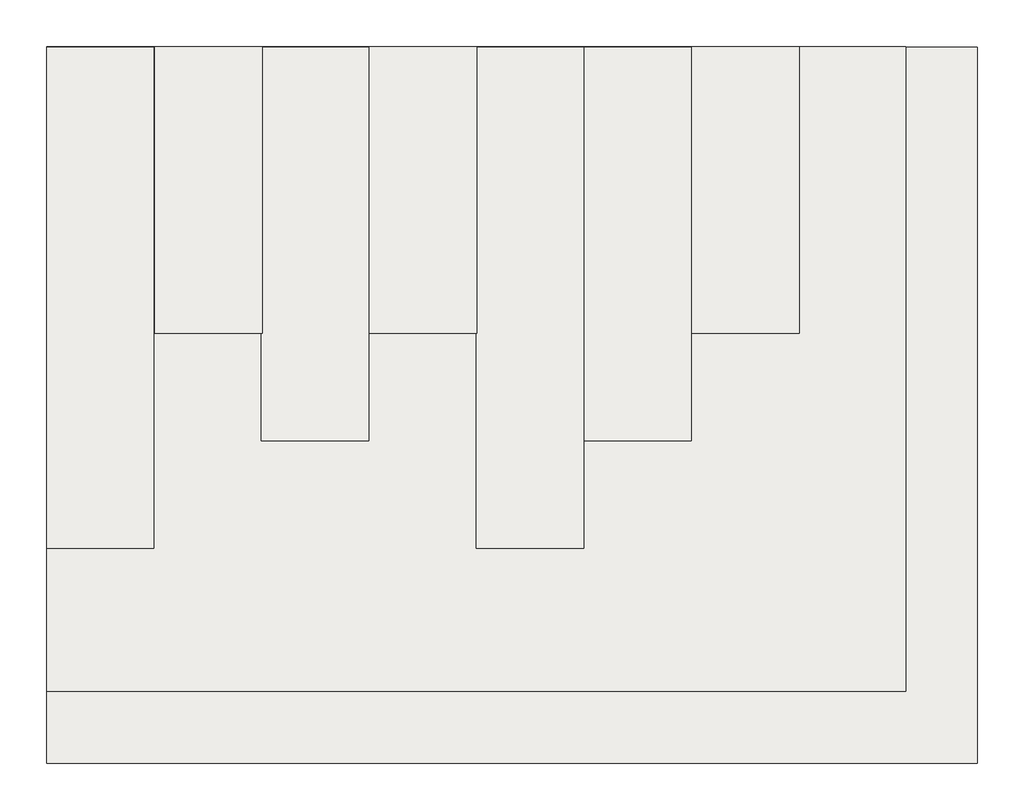
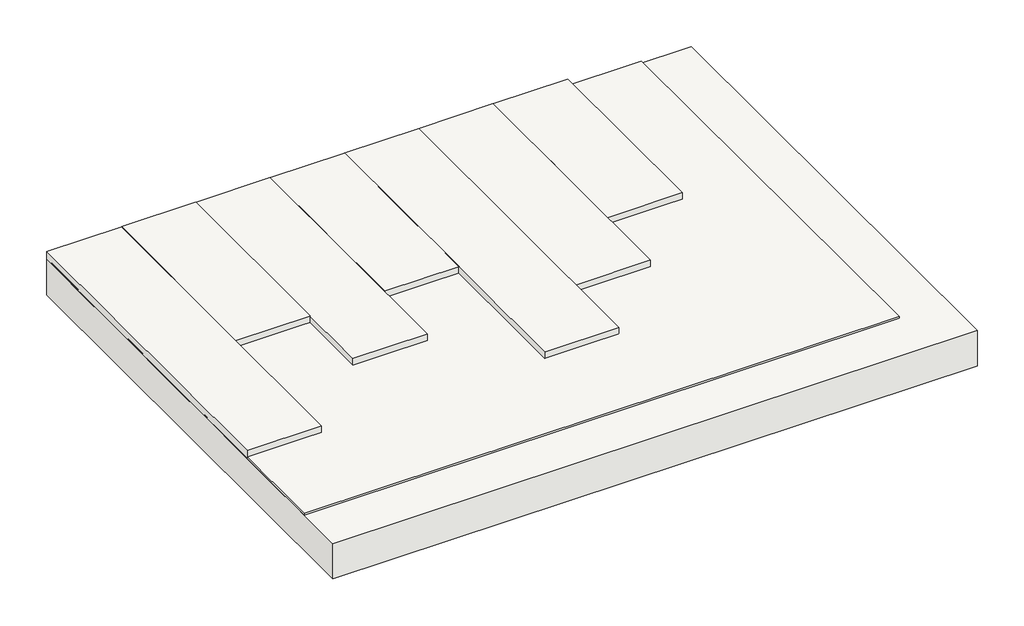
# One storey: 8 coverings, 1 slab.
"""IFC4 building model written with IfcOpenShell, lengths in millimetres."""

import ifcopenshell
import ifcopenshell.guid

model = None  # the IFC model being written
_history = None  # IfcOwnerHistory: only IFC2X3 demands one
_inside = {}  # id of a spatial element -> (the spatial element, [elements in it])
_under = {}  # id of a project, library or spatial element -> (it, [spatial elements below it])
_declared = {}  # id of a project -> (the project, [libraries it declares])
_typed = {}  # id of a type object -> (the type object, [elements of that type])
_made_of = {}  # id of a material, layer set ... -> (it, [elements and type objects made of it])


def new_model(schema):
    """Start an empty IFC model of exactly this schema.

    Asked for "IFC4X3", IfcOpenShell would pick the latest addendum, in which some entities
    have other attributes; the version numbers below select the first issue.
    IFC2X3 requires an IfcOwnerHistory on every rooted entity: one is made here for all.
    """
    global model, _history
    if schema == "IFC4X3":
        model = ifcopenshell.file(schema_version=(4, 3, 0, 0))
    else:
        model = ifcopenshell.file(schema=schema)
    _inside.clear()
    _under.clear()
    _declared.clear()
    _typed.clear()
    _made_of.clear()
    _history = None
    if model.schema == "IFC2X3":
        org = make("IfcOrganization", Name="unknown")
        user = make(
            "IfcPersonAndOrganization",
            ThePerson=make("IfcPerson", FamilyName="unknown"),
            TheOrganization=org,
        )
        app = make(
            "IfcApplication",
            ApplicationDeveloper=org,
            Version="unknown",
            ApplicationFullName="unknown",
            ApplicationIdentifier="unknown",
        )
        _history = make(
            "IfcOwnerHistory",
            OwningUser=user,
            OwningApplication=app,
            ChangeAction="ADDED",
            CreationDate=0,
        )
    return model


def make(cls, **values):
    """One entity of the class cls with the attributes given. An attribute that is None is left unset."""
    return model.create_entity(
        cls, **{name: value for name, value in values.items() if value is not None}
    )


def rooted(cls, **values):
    """An entity with a GlobalId (a new one), such as an element, a storey or a relation."""
    return make(cls, GlobalId=ifcopenshell.guid.new(), OwnerHistory=_history, **values)


def si_unit(unit_type, name, prefix=None):
    """IfcSIUnit, for example si_unit("LENGTHUNIT", "METRE", prefix="MILLI")."""
    return make("IfcSIUnit", UnitType=unit_type, Prefix=prefix, Name=name)


def assignment(units):
    """IfcUnitAssignment: the units of a project."""
    return None if units is None else make("IfcUnitAssignment", Units=units)


def point(xyz):
    """IfcCartesianPoint."""
    return None if xyz is None else make("IfcCartesianPoint", Coordinates=xyz)


def direction(xyz):
    """IfcDirection."""
    return None if xyz is None else make("IfcDirection", DirectionRatios=xyz)


def frame(location, z_axis=None, x_axis=None):
    """IfcAxis2Placement3D, a coordinate frame: its origin and axes. An axis left out is left unset."""
    return make(
        "IfcAxis2Placement3D",
        Location=point(location),
        Axis=direction(z_axis),
        RefDirection=direction(x_axis),
    )


def origin():
    """The frame at (0, 0, 0) with its axes left unset."""
    return frame((0.0, 0.0, 0.0))


def place(relative_to, where):
    """IfcLocalPlacement: puts the frame where relative to a parent placement (None: the world)."""
    return make(
        "IfcLocalPlacement", PlacementRelTo=relative_to, RelativePlacement=where
    )


def context(
    kind, dimensions, precision=None, world=None, true_north=None, identifier=None
):
    """IfcGeometricRepresentationContext, for example the 3D "Model" context."""
    return make(
        "IfcGeometricRepresentationContext",
        ContextIdentifier=identifier,
        ContextType=kind,
        CoordinateSpaceDimension=dimensions,
        Precision=precision,
        WorldCoordinateSystem=world,
        TrueNorth=true_north,
    )


def project(units=None, contexts=None):
    """IfcProject with its units and contexts."""
    return rooted(
        "IfcProject",
        Name="project",
        RepresentationContexts=contexts,
        UnitsInContext=assignment(units),
    )


def spatial(cls, under=None, at=None, **own):
    """A site, building, storey or space (cls), placed at a placement, below another one or the project."""
    s = rooted(cls, ObjectPlacement=at, **own)
    if under is not None:
        _under.setdefault(under.id(), (under, []))[1].append(s)
    return s


def polyline(points):
    """IfcPolyline through the points."""
    return make("IfcPolyline", Points=[point(p) for p in points])


def outline(outer, holes=None, kind="AREA"):
    """IfcArbitraryClosedProfileDef: a profile drawn as a closed curve; with holes, ...WithVoids."""
    if holes is None:
        return make("IfcArbitraryClosedProfileDef", ProfileType=kind, OuterCurve=outer)
    return make(
        "IfcArbitraryProfileDefWithVoids",
        ProfileType=kind,
        OuterCurve=outer,
        InnerCurves=holes,
    )


def extrude(swept, where, along, depth):
    """IfcExtrudedAreaSolid: the profile swept, set in the frame where, extruded along a direction by depth."""
    return make(
        "IfcExtrudedAreaSolid",
        SweptArea=swept,
        Position=where,
        ExtrudedDirection=direction(along),
        Depth=depth,
    )


def shape(context_of_items, identifier, shape_type, items):
    """IfcShapeRepresentation: the items that make up one representation, for example the "Body"."""
    return make(
        "IfcShapeRepresentation",
        ContextOfItems=context_of_items,
        RepresentationIdentifier=identifier,
        RepresentationType=shape_type,
        Items=items,
    )


def made_of(thing, what):
    """Note that an element or type object is made of a material, layer set ...; save() writes the relation."""
    if what is not None:
        _made_of.setdefault(what.id(), (what, []))[1].append(thing)
    return thing


def element(
    cls,
    number,
    at=None,
    inside=None,
    cuts=None,
    type_object=None,
    material=None,
    context=None,
    identifier="Body",
    shape_type=None,
    held_by="IfcProductDefinitionShape",
    body=None,
    shapes=None,
    **own,
):
    """One element of the class cls, such as IfcWall. Its Tag is "e" and its number.

    at: its placement. inside: the storey or other place that contains it. cuts: it is an
    opening in that element (IfcRelVoidsElement). A single representation is given by context,
    identifier, shape_type and body (its items); several are given by shapes. held_by: the class
    of the entity that holds the representations. save() writes the other relations.
    """
    e = rooted(cls, Tag="e%d" % number, ObjectPlacement=at, **own)
    if body is not None:
        shapes = [shape(context, identifier, shape_type, body)]
    if shapes is not None:
        e.Representation = make(held_by, Representations=shapes)
    if inside is not None:
        _inside.setdefault(inside.id(), (inside, []))[1].append(e)
    if cuts is not None:
        rooted(
            "IfcRelVoidsElement", RelatingBuildingElement=cuts, RelatedOpeningElement=e
        )
    if type_object is not None:
        _typed.setdefault(type_object.id(), (type_object, []))[1].append(e)
    return made_of(e, material)


def aggregate(whole, parts):
    """IfcRelAggregates: a whole, such as a stair, and the parts it consists of."""
    return rooted("IfcRelAggregates", RelatingObject=whole, RelatedObjects=parts)


def save(model, path):
    """Write the relations noted so far, then the file.

    IfcRelAggregates (storeys below a building ...), IfcRelContainedInSpatialStructure (elements
    in a storey), IfcRelDefinesByType, IfcRelAssociatesMaterial and IfcRelDeclares: one each for
    every whole, place, type object, material and project.
    """
    for whole, parts in _under.values():
        aggregate(whole, parts)
    for where, things in _inside.values():
        rooted(
            "IfcRelContainedInSpatialStructure",
            RelatedElements=things,
            RelatingStructure=where,
        )
    for kind, things in _typed.values():
        rooted("IfcRelDefinesByType", RelatedObjects=things, RelatingType=kind)
    for what, things in _made_of.values():
        rooted("IfcRelAssociatesMaterial", RelatedObjects=things, RelatingMaterial=what)
    for by, libraries in _declared.values():
        rooted("IfcRelDeclares", RelatingContext=by, RelatedDefinitions=libraries)
    model.write(path)


model = new_model("IFC4")

# Units and contexts
model_context = context("Model", 3, world=origin())
ifc_project = project(units=[si_unit("LENGTHUNIT", "METRE", prefix="MILLI")], contexts=[model_context])

# Site, building, storey
site = spatial("IfcSite", under=ifc_project)
building = spatial("IfcBuilding", under=site)
storey = spatial("IfcBuildingStorey", under=building, Elevation=4000.0)

# Coverings
placement = place(None, origin())
element("IfcCovering", 1, at=placement, inside=storey, context=model_context, shape_type="SweptSolid", body=[
    extrude(outline(polyline([(-7556.3240747, 6913.0303497), (-7556.3240747, 5113.0303497), (-9956.3240747, 5113.0303497), (-9956.3240747, 6913.0303497), (-7556.3240747, 6913.0303497)])), frame((0.0, 0.0, 704.8210089), z_axis=(0.0, 0.0, 1.0), x_axis=(1.0, 0.0, 0.0)), (0.0, 0.0, 1.0), 20.0),
])
element("IfcCovering", 2, at=placement, inside=storey, context=model_context, shape_type="SweptSolid", body=[
    extrude(outline(polyline([(-9656.3240747, 6911.6428408), (-9656.3240747, 5511.6428408), (-9956.3240747, 5511.6428408), (-9956.3240747, 6911.6428408), (-9656.3240747, 6911.6428408)])), frame((0.0, 0.0, 721.3522368), z_axis=(0.0, 0.0, 1.0), x_axis=(1.0, 0.0, 0.0)), (0.0, 0.0, 1.0), 31.0),
])
element("IfcCovering", 3, at=placement, inside=storey, context=model_context, shape_type="SweptSolid", body=[
    extrude(outline(polyline([(-9354.4943121, 6912.0535612), (-9354.4943121, 6112.0535612), (-9654.4943121, 6112.0535612), (-9654.4943121, 6912.0535612), (-9354.4943121, 6912.0535612)])), frame((0.0, 0.0, 721.3522368), z_axis=(0.0, 0.0, 1.0), x_axis=(1.0, 0.0, 0.0)), (0.0, 0.0, 1.0), 31.0),
])
element("IfcCovering", 4, at=placement, inside=storey, context=model_context, shape_type="SweptSolid", body=[
    extrude(outline(polyline([(-9056.3240747, 6911.6428408), (-9056.3240747, 5811.6428408), (-9356.3240747, 5811.6428408), (-9356.3240747, 6911.6428408), (-9056.3240747, 6911.6428408)])), frame((0.0, 0.0, 721.3522368), z_axis=(0.0, 0.0, 1.0), x_axis=(1.0, 0.0, 0.0)), (0.0, 0.0, 1.0), 31.0),
])
element("IfcCovering", 5, at=placement, inside=storey, context=model_context, shape_type="SweptSolid", body=[
    extrude(outline(polyline([(-8754.4943121, 6912.0535612), (-8754.4943121, 6112.0535612), (-9054.4943121, 6112.0535612), (-9054.4943121, 6912.0535612), (-8754.4943121, 6912.0535612)])), frame((0.0, 0.0, 721.3522368), z_axis=(0.0, 0.0, 1.0), x_axis=(1.0, 0.0, 0.0)), (0.0, 0.0, 1.0), 31.0),
])
element("IfcCovering", 6, at=placement, inside=storey, context=model_context, shape_type="SweptSolid", body=[
    extrude(outline(polyline([(-8456.3240747, 6911.6428408), (-8456.3240747, 5511.6428408), (-8756.3240747, 5511.6428408), (-8756.3240747, 6911.6428408), (-8456.3240747, 6911.6428408)])), frame((0.0, 0.0, 721.3522368), z_axis=(0.0, 0.0, 1.0), x_axis=(1.0, 0.0, 0.0)), (0.0, 0.0, 1.0), 31.0),
])
element("IfcCovering", 7, at=placement, inside=storey, context=model_context, shape_type="SweptSolid", body=[
    extrude(outline(polyline([(-8156.3240747, 6911.6428408), (-8156.3240747, 5811.6428408), (-8456.3240747, 5811.6428408), (-8456.3240747, 6911.6428408), (-8156.3240747, 6911.6428408)])), frame((0.0, 0.0, 721.3522368), z_axis=(0.0, 0.0, 1.0), x_axis=(1.0, 0.0, 0.0)), (0.0, 0.0, 1.0), 31.0),
])
element("IfcCovering", 8, at=placement, inside=storey, context=model_context, shape_type="SweptSolid", body=[
    extrude(outline(polyline([(-7854.4943121, 6912.0535612), (-7854.4943121, 6112.0535612), (-8154.4943121, 6112.0535612), (-8154.4943121, 6912.0535612), (-7854.4943121, 6912.0535612)])), frame((0.0, 0.0, 721.3522368), z_axis=(0.0, 0.0, 1.0), x_axis=(1.0, 0.0, 0.0)), (0.0, 0.0, 1.0), 31.0),
])

# Slab
element("IfcSlab", 9, at=placement, inside=storey, context=model_context, shape_type="SweptSolid", body=[
    extrude(outline(polyline([(-7356.3240747, 6911.6428408), (-7356.3240747, 4911.6428408), (-9956.3240747, 4911.6428408), (-9956.3240747, 6911.6428408), (-7356.3240747, 6911.6428408)])), frame((0.0, 0.0, 567.3085886), z_axis=(0.0, 0.0, 1.0), x_axis=(1.0, 0.0, 0.0)), (0.0, 0.0, 1.0), 150.0),
])

save(model, "model.ifc")
